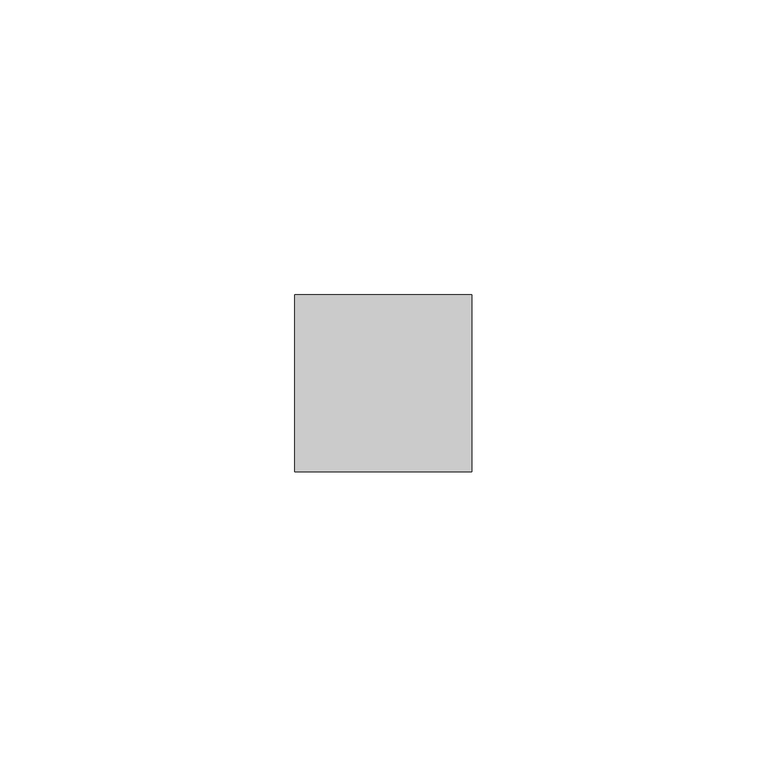
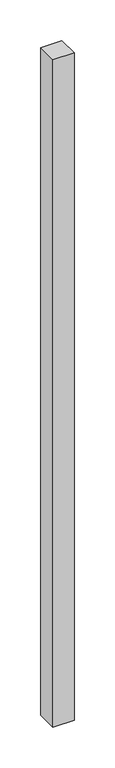
"""IFC4 building model written with IfcOpenShell, lengths in millimetres: member geometry."""

from ifc_helpers import new_model, si_unit, frame, origin, place, context, project, spatial, polyline, outline, extrude, source, transform, mapped, element, save


def member_cfc8d1fe(model_context):
    return source(origin(), model_context, "Body", "SweptSolid", [
        extrude(outline(polyline([(15.0, 15.0), (15.0, -15.0), (-15.0, -15.0), (-15.0, 15.0), (15.0, 15.0)])), frame((0.0, 0.0, -1000.0), z_axis=(0.0, 0.0, 1.0), x_axis=(1.0, 0.0, 0.0)), (0.0, 0.0, 1.0), 1000.0),
    ])


if __name__ == "__main__":
    model = new_model("IFC4")
    model_context = context("Model", 3, world=origin())
    ifc_project = project(units=[si_unit("LENGTHUNIT", "METRE", prefix="MILLI")], contexts=[model_context])
    site = spatial("IfcSite", under=ifc_project)
    building = spatial("IfcBuilding", under=site)
    placement = place(None, origin())
    member_shape = member_cfc8d1fe(model_context)
    element("IfcMember", 1, at=placement, inside=building, context=model_context, shape_type="MappedRepresentation", body=[
        mapped(member_shape, transform((0.0, 0.0, 0.0), x_axis=(1.0, 0.0, 0.0), y_axis=(0.0, 1.0, 0.0), z_axis=(0.0, 0.0, 1.0))),
    ])
    save(model, "model.ifc")
